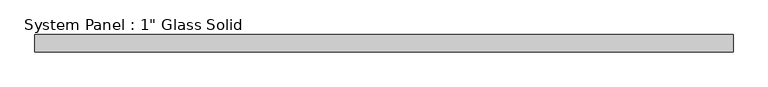
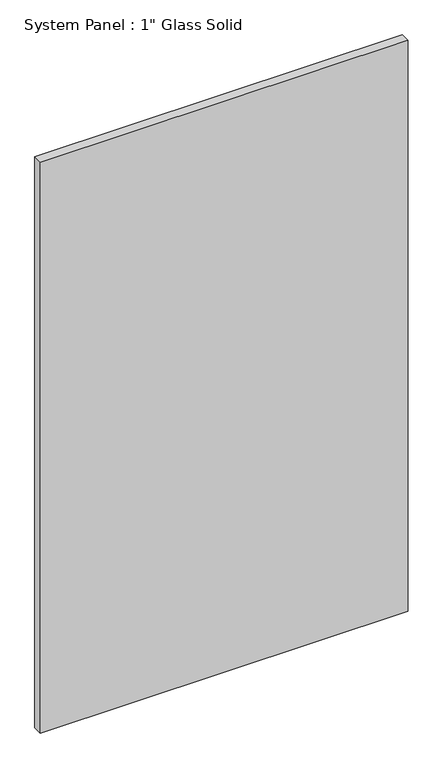
"""IFC4 building model written with IfcOpenShell, lengths in millimetres: plate geometry."""

from ifc_helpers import new_model, si_unit, origin, origin_with_axes, place, context, project, spatial, polyline, outline, extrude, source, transform, mapped, element, save


def plate_8f05e698(model_context):
    return source(origin(), model_context, "Body", "SweptSolid", [
        extrude(outline(polyline([(509.0583333, -12.7), (-509.0583333, -12.7), (-509.0583333, 12.7), (509.0583333, 12.7), (509.0583333, -12.7)])), origin_with_axes(), (0.0, 0.0, 1.0), 1670.05),
    ])


if __name__ == "__main__":
    model = new_model("IFC4")
    model_context = context("Model", 3, world=origin())
    ifc_project = project(units=[si_unit("LENGTHUNIT", "METRE", prefix="MILLI")], contexts=[model_context])
    site = spatial("IfcSite", under=ifc_project)
    building = spatial("IfcBuilding", under=site)
    placement = place(None, origin())
    plate_shape = plate_8f05e698(model_context)
    element("IfcPlate", 1, ObjectType="System Panel : 1\" Glass Solid", at=placement, inside=building, context=model_context, shape_type="MappedRepresentation", body=[
        mapped(plate_shape, transform((0.0, 0.0, 0.0), x_axis=(1.0, 0.0, 0.0), y_axis=(0.0, 1.0, 0.0), z_axis=(0.0, 0.0, 1.0))),
    ])
    save(model, "model.ifc")
